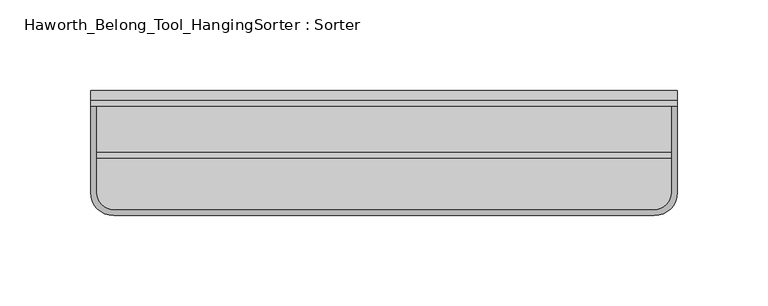
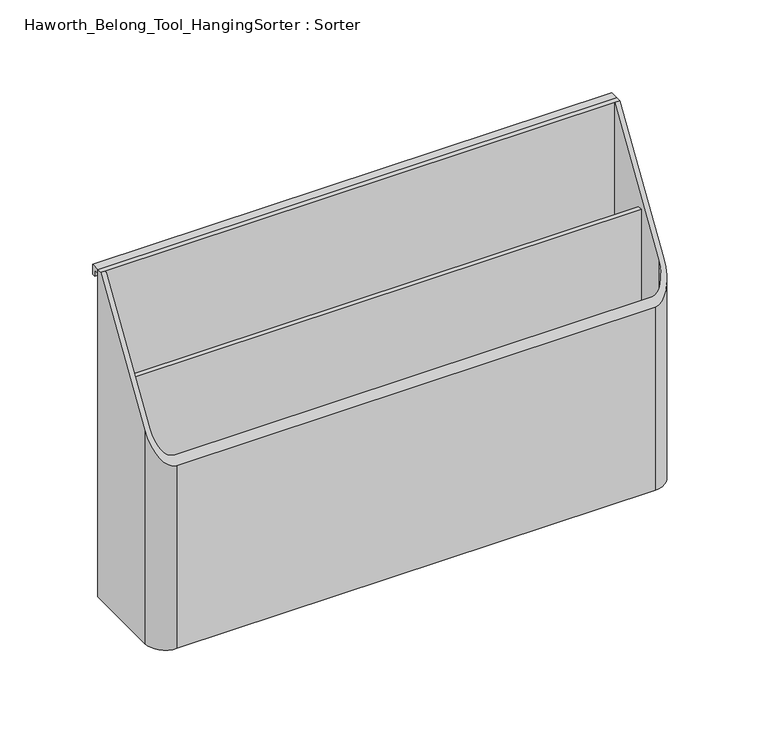
"""IFC4 building model written with IfcOpenShell, lengths in millimetres: furniture geometry, Haworth_Belong_Tool_HangingSorter : Sorter."""

from ifc_helpers import new_model, si_unit, frame, origin, place, context, project, spatial, polyline, circle_curve, ellipse_curve, outline, extrude, source, transform, mapped, element, save
from ifc_brep_helpers import plane_surface, cylinder_surface, revolved_surface, advanced_brep


def haworth_belong_tool_hangingsorter_sorter_b643d65a(model_context):
    return source(origin(), model_context, "Body", "SolidModel", [
        extrude(outline(polyline([(323.85, -28.663732), (323.85, -31.75), (6.35, -31.75), (6.35, -28.663732), (323.85, -28.663732)])), frame((0.0, 0.0, 3.175), z_axis=(0.0, 0.0, 1.0), x_axis=(1.0, 0.0, 0.0)), (0.0, 0.0, 1.0), 159.3856991),
        advanced_brep(
        [(327.025, 0.0, 215.9), (3.175, 0.0, 215.9), (3.175, -3.175, 215.9), (6.35, -3.175, 215.9), (323.85, -3.175, 215.9), (327.025, -3.175, 215.9), (327.025, -50.8, 0.0), (314.325, -63.5, 0.0), (15.875, -63.5, 0.0), (3.175, -50.8, 0.0), (3.175, 0.0, 0.0), (327.025, 0.0, 0.0), (3.175, -50.8, 140.7026316), (15.875, -63.5, 120.65), (314.325, -63.5, 120.65), (327.025, -50.8, 140.7026316), (323.85, -3.175, 3.175), (323.85, -50.8, 3.175), (323.85, -50.8, 140.7026316), (314.325, -60.325, 3.175), (314.325, -60.325, 125.6631579), (15.875, -60.325, 3.175), (15.875, -60.325, 125.6631579), (6.35, -50.8, 3.175), (6.35, -50.8, 140.7026316), (6.35, -3.175, 3.175)],
        [
            (0, 1),
            (1, 2),
            (2, 3),
            (3, 4),
            (4, 5),
            (5, 0),
            (6, 7, circle_curve(frame((314.325, -50.8, 0.0), z_axis=(0.0, 0.0, -1.0), x_axis=(1.0, 0.0, 0.0)), 12.7)),
            (7, 8),
            (8, 9, circle_curve(frame((15.875, -50.8, 0.0), z_axis=(0.0, 0.0, -1.0), x_axis=(1.0, 0.0, 0.0)), 12.7)),
            (9, 10),
            (10, 11),
            (11, 6),
            (1, 10),
            (9, 12),
            (12, 2),
            (8, 13),
            (13, 12, ellipse_curve(frame((15.875, -50.8, 140.7026316), z_axis=(0.0, 0.8448190755545865, -0.5350520811837798), x_axis=(0.0, 0.5350520811837799, 0.8448190755545864)), 23.7360071, 12.7)),
            (7, 14),
            (14, 13),
            (6, 15),
            (15, 14, ellipse_curve(frame((314.325, -50.8, 140.7026316), z_axis=(0.0, 0.8448190755545865, -0.5350520811837798), x_axis=(0.0, 0.5350520811837799, 0.8448190755545864)), 23.7360071, 12.7)),
            (11, 0),
            (5, 15),
            (4, 16),
            (16, 17),
            (17, 18),
            (18, 4),
            (17, 19, circle_curve(frame((314.325, -50.8, 3.175), z_axis=(0.0, 0.0, -1.0), x_axis=(1.0, 0.0, 0.0)), 9.525)),
            (19, 20),
            (20, 18, ellipse_curve(frame((314.325, -50.8, 140.7026316), z_axis=(0.0, -0.8448190755545865, 0.5350520811837798), x_axis=(0.0, -0.5350520811837799, -0.8448190755545864)), 17.8020053, 9.525)),
            (19, 21),
            (21, 22),
            (22, 20),
            (21, 23, circle_curve(frame((15.875, -50.8, 3.175), z_axis=(0.0, 0.0, -1.0), x_axis=(1.0, 0.0, 0.0)), 9.525)),
            (23, 24),
            (24, 22, ellipse_curve(frame((15.875, -50.8, 140.7026316), z_axis=(0.0, -0.8448190755545865, 0.5350520811837798), x_axis=(0.0, -0.5350520811837799, -0.8448190755545864)), 17.8020053, 9.525)),
            (25, 3),
            (3, 24),
            (23, 25),
            (25, 16),
        ],
        [
            plane_surface(frame((3.175, -3.175, 215.9), z_axis=(0.0, 0.0, 1.0), x_axis=(0.0, -1.0, 0.0))),
            plane_surface(frame((3.175, -3.175, 0.0), z_axis=(0.0, 0.0, -1.0), x_axis=(0.0, 1.0, 0.0))),
            plane_surface(frame((3.175, -3.175, 215.9), z_axis=(-1.0, 0.0, 0.0), x_axis=(0.0, 0.0, -1.0))),
            cylinder_surface(frame((15.875, -50.8, 0.0), z_axis=(0.0, 0.0, 1.0), x_axis=(1.0, 0.0, 0.0)), 12.7),
            plane_surface(frame((15.875, -63.5, 215.9), z_axis=(0.0, -1.0, 0.0), x_axis=(0.0, 0.0, -1.0))),
            cylinder_surface(frame((314.325, -50.8, 0.0), z_axis=(0.0, 0.0, 1.0), x_axis=(1.0, 0.0, 0.0)), 12.7),
            plane_surface(frame((327.025, -50.8, 215.9), z_axis=(1.0, 0.0, 0.0), x_axis=(0.0, 0.0, -1.0))),
            plane_surface(frame((323.85, -3.175, 215.9), z_axis=(-1.0, 0.0, 0.0), x_axis=(0.0, 0.0, -1.0))),
            revolved_surface(polyline([(323.84999999999997, -50.8, 3.175), (323.84999999999997, -50.8, 155.74210526056385)]), (314.325, -50.8, 0.0), (0.0, 0.0, -1.0)),
            plane_surface(frame((314.325, -60.325, 215.9), z_axis=(0.0, 1.0, 0.0), x_axis=(0.0, 0.0, -1.0))),
            revolved_surface(polyline([(25.4, -50.8, 3.175), (25.4, -50.8, 155.74210526056385)]), (15.875, -50.8, 0.0), (0.0, 0.0, -1.0)),
            plane_surface(frame((6.35, -50.8, 215.9), z_axis=(1.0, 0.0, 0.0), x_axis=(0.0, 0.0, -1.0))),
            plane_surface(frame((327.025, 0.0, 215.9), z_axis=(0.0, 1.0, 0.0), x_axis=(0.0, 0.0, -1.0))),
            plane_surface(frame((3.175, -3.175, 215.9), z_axis=(0.0, -1.0, 0.0), x_axis=(0.0, 0.0, -1.0))),
            plane_surface(frame((6.35, -3.175, 3.175), z_axis=(0.0, 0.0, 1.0), x_axis=(-1.0, 0.0, 0.0))),
            plane_surface(frame((327.025, -68.9117253, 112.1051705), z_axis=(0.0, -0.8448190755545865, 0.5350520811837798), x_axis=(-1.0, 0.0, 0.0))),
        ],
        [
            (0, [[1, 2, 3, 4, 5, 6]]),
            (1, [[7, 8, 9, 10, 11, 12]]),
            (2, [[13, -10, 14, 15, -2]]),
            (3, [[-9, 16, 17, -14]]),
            (4, [[-8, 18, 19, -16]]),
            (5, [[-7, 20, 21, -18]]),
            (6, [[22, -6, 23, -20, -12]]),
            (7, [[24, 25, 26, 27]]),
            (8, [[28, 29, 30, -26]]),
            (9, [[31, 32, 33, -29]]),
            (10, [[34, 35, 36, -32]]),
            (11, [[37, 38, -35, 39]]),
            (12, [[-1, -22, -11, -13]]),
            (13, [[-4, -37, 40, -24]]),
            (14, [[-25, -40, -39, -34, -31, -28]]),
            (15, [[-5, -27, -30, -33, -36, -38, -3, -15, -17, -19, -21, -23]]),
        ],
    ),
        extrude(outline(polyline([(3.175, 213.51875), (0.0, 213.51875), (0.0, 215.9), (5.55625, 215.9), (5.55625, 209.55), (3.175, 209.55), (3.175, 213.51875)])), frame((3.175, 0.0, 0.0), z_axis=(1.0, 0.0, 0.0), x_axis=(0.0, 1.0, 0.0)), (0.0, 0.0, 1.0), 323.85),
    ])


if __name__ == "__main__":
    model = new_model("IFC4")
    model_context = context("Model", 3, world=origin())
    ifc_project = project(units=[si_unit("LENGTHUNIT", "METRE", prefix="MILLI")], contexts=[model_context])
    site = spatial("IfcSite", under=ifc_project)
    building = spatial("IfcBuilding", under=site)
    placement = place(None, origin())
    haworth_belong_tool_hangingsorter_sorter_shape = haworth_belong_tool_hangingsorter_sorter_b643d65a(model_context)
    element("IfcFurniture", 1, ObjectType="Haworth_Belong_Tool_HangingSorter : Sorter", at=placement, inside=building, context=model_context, shape_type="MappedRepresentation", body=[
        mapped(haworth_belong_tool_hangingsorter_sorter_shape, transform((0.0, 0.0, 0.0), x_axis=(1.0, 0.0, 0.0), y_axis=(0.0, 1.0, 0.0), z_axis=(0.0, 0.0, 1.0))),
    ])
    save(model, "model.ifc")
